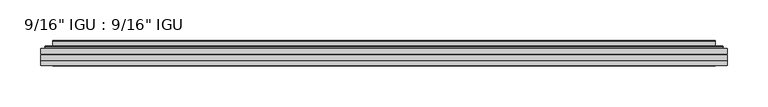
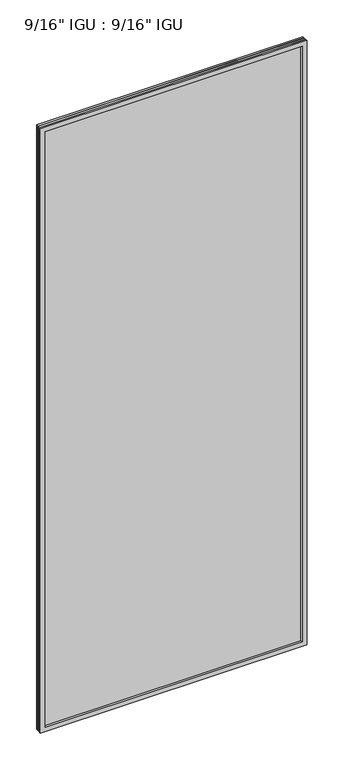
"""IFC4 building model written with IfcOpenShell, lengths in millimetres: plate geometry."""

import ifcopenshell
import ifcopenshell.guid

model = None  # the IFC model being written
_history = None  # IfcOwnerHistory: only IFC2X3 demands one
_inside = {}  # id of a spatial element -> (the spatial element, [elements in it])
_under = {}  # id of a project, library or spatial element -> (it, [spatial elements below it])
_declared = {}  # id of a project -> (the project, [libraries it declares])
_typed = {}  # id of a type object -> (the type object, [elements of that type])
_made_of = {}  # id of a material, layer set ... -> (it, [elements and type objects made of it])


def new_model(schema):
    """Start an empty IFC model of exactly this schema.

    Asked for "IFC4X3", IfcOpenShell would pick the latest addendum, in which some entities
    have other attributes; the version numbers below select the first issue.
    IFC2X3 requires an IfcOwnerHistory on every rooted entity: one is made here for all.
    """
    global model, _history
    if schema == "IFC4X3":
        model = ifcopenshell.file(schema_version=(4, 3, 0, 0))
    else:
        model = ifcopenshell.file(schema=schema)
    _inside.clear()
    _under.clear()
    _declared.clear()
    _typed.clear()
    _made_of.clear()
    _history = None
    if model.schema == "IFC2X3":
        org = make("IfcOrganization", Name="unknown")
        user = make(
            "IfcPersonAndOrganization",
            ThePerson=make("IfcPerson", FamilyName="unknown"),
            TheOrganization=org,
        )
        app = make(
            "IfcApplication",
            ApplicationDeveloper=org,
            Version="unknown",
            ApplicationFullName="unknown",
            ApplicationIdentifier="unknown",
        )
        _history = make(
            "IfcOwnerHistory",
            OwningUser=user,
            OwningApplication=app,
            ChangeAction="ADDED",
            CreationDate=0,
        )
    return model


def make(cls, **values):
    """One entity of the class cls with the attributes given. An attribute that is None is left unset."""
    return model.create_entity(
        cls, **{name: value for name, value in values.items() if value is not None}
    )


def rooted(cls, **values):
    """An entity with a GlobalId (a new one), such as an element, a storey or a relation."""
    return make(cls, GlobalId=ifcopenshell.guid.new(), OwnerHistory=_history, **values)


def si_unit(unit_type, name, prefix=None):
    """IfcSIUnit, for example si_unit("LENGTHUNIT", "METRE", prefix="MILLI")."""
    return make("IfcSIUnit", UnitType=unit_type, Prefix=prefix, Name=name)


def assignment(units):
    """IfcUnitAssignment: the units of a project."""
    return None if units is None else make("IfcUnitAssignment", Units=units)


def point(xyz):
    """IfcCartesianPoint."""
    return None if xyz is None else make("IfcCartesianPoint", Coordinates=xyz)


def direction(xyz):
    """IfcDirection."""
    return None if xyz is None else make("IfcDirection", DirectionRatios=xyz)


def frame(location, z_axis=None, x_axis=None):
    """IfcAxis2Placement3D, a coordinate frame: its origin and axes. An axis left out is left unset."""
    return make(
        "IfcAxis2Placement3D",
        Location=point(location),
        Axis=direction(z_axis),
        RefDirection=direction(x_axis),
    )


def origin():
    """The frame at (0, 0, 0) with its axes left unset."""
    return frame((0.0, 0.0, 0.0))


def place(relative_to, where):
    """IfcLocalPlacement: puts the frame where relative to a parent placement (None: the world)."""
    return make(
        "IfcLocalPlacement", PlacementRelTo=relative_to, RelativePlacement=where
    )


def context(
    kind, dimensions, precision=None, world=None, true_north=None, identifier=None
):
    """IfcGeometricRepresentationContext, for example the 3D "Model" context."""
    return make(
        "IfcGeometricRepresentationContext",
        ContextIdentifier=identifier,
        ContextType=kind,
        CoordinateSpaceDimension=dimensions,
        Precision=precision,
        WorldCoordinateSystem=world,
        TrueNorth=true_north,
    )


def project(units=None, contexts=None):
    """IfcProject with its units and contexts."""
    return rooted(
        "IfcProject",
        Name="project",
        RepresentationContexts=contexts,
        UnitsInContext=assignment(units),
    )


def spatial(cls, under=None, at=None, **own):
    """A site, building, storey or space (cls), placed at a placement, below another one or the project."""
    s = rooted(cls, ObjectPlacement=at, **own)
    if under is not None:
        _under.setdefault(under.id(), (under, []))[1].append(s)
    return s


def polyline(points):
    """IfcPolyline through the points."""
    return make("IfcPolyline", Points=[point(p) for p in points])


def ellipse_curve(where, semi_axis1, semi_axis2):
    """IfcEllipse in the frame where."""
    return make(
        "IfcEllipse", Position=where, SemiAxis1=semi_axis1, SemiAxis2=semi_axis2
    )


def outline(outer, holes=None, kind="AREA"):
    """IfcArbitraryClosedProfileDef: a profile drawn as a closed curve; with holes, ...WithVoids."""
    if holes is None:
        return make("IfcArbitraryClosedProfileDef", ProfileType=kind, OuterCurve=outer)
    return make(
        "IfcArbitraryProfileDefWithVoids",
        ProfileType=kind,
        OuterCurve=outer,
        InnerCurves=holes,
    )


def extrude(swept, where, along, depth):
    """IfcExtrudedAreaSolid: the profile swept, set in the frame where, extruded along a direction by depth."""
    return make(
        "IfcExtrudedAreaSolid",
        SweptArea=swept,
        Position=where,
        ExtrudedDirection=direction(along),
        Depth=depth,
    )


def faces_of(points, faces, orient=None, outer=None):
    """IfcFace entities. A face is a list of loops; a loop is a list of indices into points, from 0.

    orient and outer hold one flag for each loop. By default every Orientation is true, the
    first loop of a face is its IfcFaceOuterBound and the others are IfcFaceBound.
    """
    made = []
    for i, loops in enumerate(faces):
        bounds = []
        for j, loop in enumerate(loops):
            is_outer = j == 0 if outer is None else outer[i][j]
            bounds.append(
                make(
                    "IfcFaceOuterBound" if is_outer else "IfcFaceBound",
                    Bound=make("IfcPolyLoop", Polygon=[points[k] for k in loop]),
                    Orientation=True if orient is None else orient[i][j],
                )
            )
        made.append(make("IfcFace", Bounds=bounds))
    return made


def faceted_brep(points, faces, orient=None, outer=None, voids=None):
    """IfcFacetedBrep: a solid bounded by flat faces; with voids (closed shells), ...WithVoids."""
    shared = [point(p) for p in points]
    hull = make("IfcClosedShell", CfsFaces=faces_of(shared, faces, orient, outer))
    if voids is None:
        return make("IfcFacetedBrep", Outer=hull)
    return make(
        "IfcFacetedBrepWithVoids",
        Outer=hull,
        Voids=[
            make(cls, CfsFaces=faces_of(shared, fs, o, b)) for cls, fs, o, b in voids
        ],
    )


def shape(context_of_items, identifier, shape_type, items):
    """IfcShapeRepresentation: the items that make up one representation, for example the "Body"."""
    return make(
        "IfcShapeRepresentation",
        ContextOfItems=context_of_items,
        RepresentationIdentifier=identifier,
        RepresentationType=shape_type,
        Items=items,
    )


def source(mapping_origin, context_of_items, identifier, shape_type, items):
    """IfcRepresentationMap: a shape defined once, which mapped items show again and again."""
    return make(
        "IfcRepresentationMap",
        MappingOrigin=mapping_origin,
        MappedRepresentation=shape(context_of_items, identifier, shape_type, items),
    )


def transform(
    local_origin,
    x_axis=None,
    y_axis=None,
    z_axis=None,
    scale=None,
    scale2=None,
    scale3=None,
    uniform=True,
):
    """IfcCartesianTransformationOperator3D, or its non-uniform kind. x_axis, y_axis, z_axis: its Axis1, 2, 3."""
    if uniform:
        return make(
            "IfcCartesianTransformationOperator3D",
            Axis1=direction(x_axis),
            Axis2=direction(y_axis),
            LocalOrigin=point(local_origin),
            Scale=scale,
            Axis3=direction(z_axis),
        )
    return make(
        "IfcCartesianTransformationOperator3DnonUniform",
        Axis1=direction(x_axis),
        Axis2=direction(y_axis),
        LocalOrigin=point(local_origin),
        Scale=scale,
        Axis3=direction(z_axis),
        Scale2=scale2,
        Scale3=scale3,
    )


def mapped(mapping_source, mapping_target):
    """IfcMappedItem: shows the shape of a source again, moved by a transform."""
    return make(
        "IfcMappedItem", MappingSource=mapping_source, MappingTarget=mapping_target
    )


def made_of(thing, what):
    """Note that an element or type object is made of a material, layer set ...; save() writes the relation."""
    if what is not None:
        _made_of.setdefault(what.id(), (what, []))[1].append(thing)
    return thing


def element(
    cls,
    number,
    at=None,
    inside=None,
    cuts=None,
    type_object=None,
    material=None,
    context=None,
    identifier="Body",
    shape_type=None,
    held_by="IfcProductDefinitionShape",
    body=None,
    shapes=None,
    **own,
):
    """One element of the class cls, such as IfcWall. Its Tag is "e" and its number.

    at: its placement. inside: the storey or other place that contains it. cuts: it is an
    opening in that element (IfcRelVoidsElement). A single representation is given by context,
    identifier, shape_type and body (its items); several are given by shapes. held_by: the class
    of the entity that holds the representations. save() writes the other relations.
    """
    e = rooted(cls, Tag="e%d" % number, ObjectPlacement=at, **own)
    if body is not None:
        shapes = [shape(context, identifier, shape_type, body)]
    if shapes is not None:
        e.Representation = make(held_by, Representations=shapes)
    if inside is not None:
        _inside.setdefault(inside.id(), (inside, []))[1].append(e)
    if cuts is not None:
        rooted(
            "IfcRelVoidsElement", RelatingBuildingElement=cuts, RelatedOpeningElement=e
        )
    if type_object is not None:
        _typed.setdefault(type_object.id(), (type_object, []))[1].append(e)
    return made_of(e, material)


def aggregate(whole, parts):
    """IfcRelAggregates: a whole, such as a stair, and the parts it consists of."""
    return rooted("IfcRelAggregates", RelatingObject=whole, RelatedObjects=parts)


def save(model, path):
    """Write the relations noted so far, then the file.

    IfcRelAggregates (storeys below a building ...), IfcRelContainedInSpatialStructure (elements
    in a storey), IfcRelDefinesByType, IfcRelAssociatesMaterial and IfcRelDeclares: one each for
    every whole, place, type object, material and project.
    """
    for whole, parts in _under.values():
        aggregate(whole, parts)
    for where, things in _inside.values():
        rooted(
            "IfcRelContainedInSpatialStructure",
            RelatedElements=things,
            RelatingStructure=where,
        )
    for kind, things in _typed.values():
        rooted("IfcRelDefinesByType", RelatedObjects=things, RelatingType=kind)
    for what, things in _made_of.values():
        rooted("IfcRelAssociatesMaterial", RelatedObjects=things, RelatingMaterial=what)
    for by, libraries in _declared.values():
        rooted("IfcRelDeclares", RelatingContext=by, RelatedDefinitions=libraries)
    model.write(path)


def plane_surface(at):
    """IfcPlane: the flat surface through the origin of the frame at, square to its z axis."""
    return make("IfcPlane", Position=at)


def cylinder_surface(at, radius):
    """IfcCylindricalSurface: all points at the distance radius from the z axis of the frame at."""
    return make("IfcCylindricalSurface", Position=at, Radius=radius)


def advanced_brep(points, edges, surfaces, faces):
    """IfcAdvancedBrep: a solid bounded by faces that lie on surfaces and meet in shared edges.

    An edge is (start, end): straight between two places in points (the first is 0);
    or (start, end, curve); or (start, end, curve, False) where it runs against its curve.
    A face is (place in surfaces, loops), or (place, loops, False) where it looks against
    its surface's normal. A loop lists edges by number (the first is 1), with a minus sign
    where the edge is run from its end to its start. The first loop is the outer one.
    """
    corners = [point(p) for p in points]
    vertices = [make("IfcVertexPoint", VertexGeometry=c) for c in corners]
    made = []
    for start, end, *more in edges:
        made.append(
            make(
                "IfcEdgeCurve",
                EdgeStart=vertices[start],
                EdgeEnd=vertices[end],
                EdgeGeometry=more[0] if more else make("IfcPolyline", Points=[corners[start], corners[end]]),
                SameSense=more[1] if len(more) > 1 else True,
            )
        )
    hull = []
    for where, loops, *sense in faces:
        bounds = []
        for j, loop in enumerate(loops):
            ring = [make("IfcOrientedEdge", EdgeElement=made[abs(k) - 1], Orientation=k > 0) for k in loop]
            bounds.append(
                make(
                    "IfcFaceOuterBound" if j == 0 else "IfcFaceBound",
                    Bound=make("IfcEdgeLoop", EdgeList=ring),
                    Orientation=True,
                )
            )
        hull.append(make("IfcAdvancedFace", Bounds=bounds, FaceSurface=surfaces[where], SameSense=sense[0] if sense else True))
    return make("IfcAdvancedBrep", Outer=make("IfcClosedShell", CfsFaces=hull))


def plate_34267f1e(model_context):
    return source(origin(), model_context, "Body", "SolidModel", [
        extrude(outline(polyline([(419.1143106, -54.78145), (419.1143106, -61.1317818), (-419.1001356, -61.1317818), (-419.1001356, -54.78145), (419.1143106, -54.78145)])), frame((0.0, 0.0, -14.2875), z_axis=(0.0, 0.0, 1.0), x_axis=(1.0, 0.0, 0.0)), (0.0, 0.0, 1.0), 2008.6024979),
        extrude(outline(polyline([(-419.1001356, -69.05625), (-419.1001356, -62.705745), (419.1143106, -62.705745), (419.1143106, -69.05625), (-419.1001356, -69.05625)])), frame((0.0, 0.0, -14.2875), z_axis=(0.0, 0.0, 1.0), x_axis=(1.0, 0.0, 0.0)), (0.0, 0.0, 1.0), 2008.6024979),
        faceted_brep([(-419.1128356, -75.40625, 1994.3239), (-419.1128356, -69.05625, 1994.3239), (-419.1128356, -69.05625, -14.3002), (-419.1128356, -75.40625, -14.3002), (419.1128356, -69.05625, -14.3002), (419.1128356, -75.40625, -14.3002), (419.1128356, -69.05625, 1994.3239), (419.1128356, -75.40625, 1994.3239), (-403.9148915, -69.05625, 0.8977441), (403.9148915, -69.05625, 0.8977441), (403.9148915, -69.05625, 1979.1259559), (-403.9148915, -69.05625, 1979.1259559), (-404.8073258, -75.40625, 1980.0183902), (404.8073258, -75.40625, 1980.0183902), (404.8073258, -75.40625, 0.0053098), (-404.8073258, -75.40625, 0.0053098)], [[[0, 1, 2, 3]], [[3, 2, 4, 5]], [[5, 4, 6, 7]], [[1, 6, 4, 2], [8, 9, 10, 11]], [[7, 6, 1, 0]], [[3, 5, 7, 0], [12, 13, 14, 15]], [[11, 12, 15, 8]], [[8, 15, 14, 9]], [[9, 14, 13, 10]], [[10, 13, 12, 11]]]),
        advanced_brep(
        [(-411.8588547, -54.78145, 1987.0699191), (-414.21306, -52.7917833, 1989.4241244), (-414.21306, -52.7917833, -9.4004244), (-411.8588547, -54.78145, -7.046219), (-402.7845295, -50.941413, 1977.9955939), (-397.8496977, -54.78145, 1973.0607621), (-397.8496977, -54.78145, 6.9629379), (-402.7845295, -50.941413, 2.0281061), (-403.8165573, -45.5441819, 1979.0276217), (-403.8165573, -45.5441819, 0.9960783), (-404.8072141, -45.1452069, 1980.0182785), (-404.8072141, -45.1452069, 0.0054216), (-404.8072141, -51.60645, 1980.0182785), (-404.8072141, -51.60645, 0.0054216), (-413.2112705, -51.60645, 1988.4223349), (-413.2112705, -51.60645, -8.3986349), (414.21306, -52.7917833, -9.4004244), (411.8588547, -54.78145, -7.046219), (397.8496977, -54.78145, 6.9629379), (402.7845295, -50.941413, 2.0281061), (403.8165573, -45.5441819, 0.9960783), (404.8072141, -45.1452069, 0.0054216), (404.8072141, -51.60645, 0.0054216), (413.2112705, -51.60645, -8.3986349), (414.21306, -52.7917833, 1989.4241244), (411.8588547, -54.78145, 1987.0699191), (397.8496977, -54.78145, 1973.0607621), (402.7845295, -50.941413, 1977.9955939), (403.8165573, -45.5441819, 1979.0276217), (404.8072141, -45.1452069, 1980.0182785), (404.8072141, -51.60645, 1980.0182785), (413.2112705, -51.60645, 1988.4223349)],
        [
            (0, 1, ellipse_curve(frame((-411.8588547, -52.39385, 1987.0699191), z_axis=(-0.7071067811865475, 0.0, -0.7071067811865475), x_axis=(-0.7071067811865474, 0.0, 0.7071067811865476)), 3.3765763, 2.3876)),
            (1, 2),
            (2, 3, ellipse_curve(frame((-411.8588547, -52.39385, -7.046219), z_axis=(-0.7071067811865475, 0.0, 0.7071067811865475), x_axis=(0.7071067811865474, 0.0, 0.7071067811865476)), 3.3765763, 2.3876)),
            (3, 0),
            (4, 5),
            (5, 6),
            (6, 7),
            (7, 4),
            (8, 4),
            (7, 9),
            (9, 8),
            (10, 8, ellipse_curve(frame((-404.4402575, -45.6634423, 1979.6513219), z_axis=(-0.7071067811865475, 0.0, -0.7071067811865475), x_axis=(-0.7071067811865474, 0.0, 0.7071067811865476)), 0.8980256, 0.635)),
            (9, 11, ellipse_curve(frame((-404.4402575, -45.6634423, 0.3723781), z_axis=(-0.7071067811865475, 0.0, 0.7071067811865475), x_axis=(0.7071067811865474, 0.0, 0.7071067811865476)), 0.8980256, 0.635)),
            (11, 10),
            (12, 10),
            (11, 13),
            (13, 12),
            (1, 14, ellipse_curve(frame((-413.2112705, -52.62245, 1988.4223349), z_axis=(-0.7071067811865475, 0.0, -0.7071067811865475), x_axis=(-0.7071067811865474, 0.0, 0.7071067811865476)), 1.436841, 1.016)),
            (14, 15),
            (15, 2, ellipse_curve(frame((-413.2112705, -52.62245, -8.3986349), z_axis=(-0.7071067811865475, 0.0, 0.7071067811865475), x_axis=(0.7071067811865474, 0.0, 0.7071067811865476)), 1.436841, 1.016)),
            (2, 16),
            (16, 17, ellipse_curve(frame((411.8588547, -52.39385, -7.046219), z_axis=(-0.7071067811865475, 0.0, -0.7071067811865475), x_axis=(-0.7071067811865476, 0.0, 0.7071067811865474)), 3.3765763, 2.3876)),
            (17, 3),
            (6, 18),
            (18, 19),
            (19, 7),
            (19, 20),
            (20, 9),
            (20, 21, ellipse_curve(frame((404.4402575, -45.6634423, 0.3723781), z_axis=(-0.7071067811865475, 0.0, -0.7071067811865475), x_axis=(-0.7071067811865476, 0.0, 0.7071067811865474)), 0.8980256, 0.635)),
            (21, 11),
            (21, 22),
            (22, 13),
            (15, 23),
            (23, 16, ellipse_curve(frame((413.2112705, -52.62245, -8.3986349), z_axis=(-0.7071067811865475, 0.0, -0.7071067811865475), x_axis=(-0.7071067811865476, 0.0, 0.7071067811865474)), 1.436841, 1.016)),
            (16, 24),
            (24, 25, ellipse_curve(frame((411.8588547, -52.39385, 1987.0699191), z_axis=(0.7071067811865475, 0.0, -0.7071067811865475), x_axis=(-0.7071067811865474, 0.0, -0.7071067811865476)), 3.3765763, 2.3876)),
            (25, 17),
            (18, 26),
            (26, 27),
            (27, 19),
            (27, 28),
            (28, 20),
            (28, 29, ellipse_curve(frame((404.4402575, -45.6634423, 1979.6513219), z_axis=(0.7071067811865475, 0.0, -0.7071067811865475), x_axis=(-0.7071067811865474, 0.0, -0.7071067811865476)), 0.8980256, 0.635)),
            (29, 21),
            (29, 30),
            (30, 22),
            (23, 31),
            (31, 24, ellipse_curve(frame((413.2112705, -52.62245, 1988.4223349), z_axis=(0.7071067811865475, 0.0, -0.7071067811865475), x_axis=(-0.7071067811865474, 0.0, -0.7071067811865476)), 1.436841, 1.016)),
            (24, 1),
            (0, 25),
            (5, 26),
            (4, 27),
            (8, 28),
            (10, 29),
            (12, 30),
            (14, 31),
        ],
        [
            cylinder_surface(frame((-411.8588547, -52.39385, 2011.7737), z_axis=(0.0, 0.0, 1.0), x_axis=(-1.0, 0.0, 0.0)), 2.3876),
            plane_surface(frame((-397.8496977, -54.78145, 1973.0607621), z_axis=(0.6141233906514794, 0.7892100234124821, 0.0), x_axis=(0.0, 0.0, -1.0))),
            plane_surface(frame((-402.7845295, -50.941413, 1977.9955939), z_axis=(0.9822050625507728, 0.18781164793386085, 0.0), x_axis=(0.0, 0.0, -1.0))),
            cylinder_surface(frame((-404.4402575, -45.6634423, 2011.7737), z_axis=(0.0, 0.0, 1.0), x_axis=(-1.0, 0.0, 0.0)), 0.635),
            plane_surface(frame((-404.8072141, -45.1452069, 1980.0182785), z_axis=(-1.0, 0.0, 0.0), x_axis=(0.0, 0.0, -1.0))),
            cylinder_surface(frame((-413.2112705, -52.62245, 2011.7737), z_axis=(0.0, 0.0, 1.0), x_axis=(-1.0, 0.0, 0.0)), 1.016),
            cylinder_surface(frame((-436.5626356, -52.39385, -7.046219), z_axis=(-1.0, 0.0, 0.0), x_axis=(0.0, 0.0, -1.0)), 2.3876),
            plane_surface(frame((-397.8496977, -54.78145, 6.9629379), z_axis=(0.0, 0.7892100234124841, 0.6141233906514768), x_axis=(1.0, 0.0, 0.0))),
            plane_surface(frame((-402.7845295, -50.941413, 2.0281061), z_axis=(0.0, 0.18781164793386404, 0.9822050625507722), x_axis=(1.0, 0.0, 0.0))),
            cylinder_surface(frame((-436.5626356, -45.6634423, 0.3723781), z_axis=(-1.0, 0.0, 0.0), x_axis=(0.0, 0.0, -1.0)), 0.635),
            plane_surface(frame((-404.8072141, -45.1452069, 0.0054216), z_axis=(0.0, 0.0, -1.0), x_axis=(1.0, 0.0, 0.0))),
            cylinder_surface(frame((-436.5626356, -52.62245, -8.3986349), z_axis=(-1.0, 0.0, 0.0), x_axis=(0.0, 0.0, -1.0)), 1.016),
            cylinder_surface(frame((411.8588547, -52.39385, -31.75), z_axis=(0.0, 0.0, -1.0), x_axis=(1.0, 0.0, 0.0)), 2.3876),
            plane_surface(frame((397.8496977, -54.78145, 6.9629379), z_axis=(-0.6141233906514743, 0.7892100234124861, 0.0), x_axis=(0.0, 0.0, 1.0))),
            plane_surface(frame((402.7845295, -50.941413, 2.0281061), z_axis=(-0.9822050625507717, 0.18781164793386723, 0.0), x_axis=(0.0, 0.0, 1.0))),
            cylinder_surface(frame((404.4402575, -45.6634423, -31.75), z_axis=(0.0, 0.0, -1.0), x_axis=(1.0, 0.0, 0.0)), 0.635),
            plane_surface(frame((404.8072141, -45.1452069, 0.0054216), z_axis=(1.0, 0.0, 0.0), x_axis=(0.0, 0.0, 1.0))),
            cylinder_surface(frame((413.2112705, -52.62245, -31.75), z_axis=(0.0, 0.0, -1.0), x_axis=(1.0, 0.0, 0.0)), 1.016),
            cylinder_surface(frame((436.5626356, -52.39385, 1987.0699191), z_axis=(1.0, 0.0, 0.0), x_axis=(0.0, 0.0, 1.0)), 2.3876),
            plane_surface(frame((411.8588547, -54.78145, 1987.0699191), z_axis=(0.0, -1.0, 0.0), x_axis=(-1.0, 0.0, 0.0))),
            plane_surface(frame((397.8496977, -54.78145, 1973.0607621), z_axis=(0.0, 0.7892100234124841, -0.6141233906514768), x_axis=(-1.0, 0.0, 0.0))),
            plane_surface(frame((402.7845295, -50.941413, 1977.9955939), z_axis=(0.0, 0.18781164793386404, -0.9822050625507722), x_axis=(-1.0, 0.0, 0.0))),
            cylinder_surface(frame((436.5626356, -45.6634423, 1979.6513219), z_axis=(1.0, 0.0, 0.0), x_axis=(0.0, 0.0, 1.0)), 0.635),
            plane_surface(frame((404.8072141, -45.1452069, 1980.0182785), z_axis=(0.0, 0.0, 1.0), x_axis=(-1.0, 0.0, 0.0))),
            plane_surface(frame((404.8072141, -51.60645, 1980.0182785), z_axis=(0.0, 1.0, 0.0), x_axis=(-1.0, 0.0, 0.0))),
            cylinder_surface(frame((436.5626356, -52.62245, 1988.4223349), z_axis=(1.0, 0.0, 0.0), x_axis=(0.0, 0.0, 1.0)), 1.016),
        ],
        [
            (0, [[1, 2, 3, 4]]),
            (1, [[5, 6, 7, 8]]),
            (2, [[9, -8, 10, 11]]),
            (3, [[12, -11, 13, 14]]),
            (4, [[15, -14, 16, 17]]),
            (5, [[18, 19, 20, -2]]),
            (6, [[-3, 21, 22, 23]]),
            (7, [[-7, 24, 25, 26]]),
            (8, [[-10, -26, 27, 28]]),
            (9, [[-13, -28, 29, 30]]),
            (10, [[-16, -30, 31, 32]]),
            (11, [[-20, 33, 34, -21]]),
            (12, [[-22, 35, 36, 37]]),
            (13, [[-25, 38, 39, 40]]),
            (14, [[-27, -40, 41, 42]]),
            (15, [[-29, -42, 43, 44]]),
            (16, [[-31, -44, 45, 46]]),
            (17, [[-34, 47, 48, -35]]),
            (18, [[-36, 49, -1, 50]]),
            (19, [[-23, -37, -50, -4], [51, -38, -24, -6]]),
            (20, [[-39, -51, -5, 52]]),
            (21, [[-41, -52, -9, 53]]),
            (22, [[-43, -53, -12, 54]]),
            (23, [[-45, -54, -15, 55]]),
            (24, [[56, -47, -33, -19], [-32, -46, -55, -17]]),
            (25, [[-48, -56, -18, -49]]),
        ],
    ),
    ])


if __name__ == "__main__":
    model = new_model("IFC4")
    model_context = context("Model", 3, world=origin())
    ifc_project = project(units=[si_unit("LENGTHUNIT", "METRE", prefix="MILLI")], contexts=[model_context])
    site = spatial("IfcSite", under=ifc_project)
    building = spatial("IfcBuilding", under=site)
    placement = place(None, origin())
    plate_shape = plate_34267f1e(model_context)
    element("IfcPlate", 1, ObjectType="9/16\" IGU : 9/16\" IGU", at=placement, inside=building, context=model_context, shape_type="MappedRepresentation", body=[
        mapped(plate_shape, transform((0.0, 0.0, 0.0), x_axis=(1.0, 0.0, 0.0), y_axis=(0.0, 1.0, 0.0), z_axis=(0.0, 0.0, 1.0))),
    ])
    save(model, "model.ifc")
